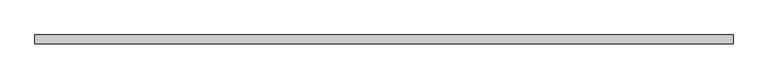
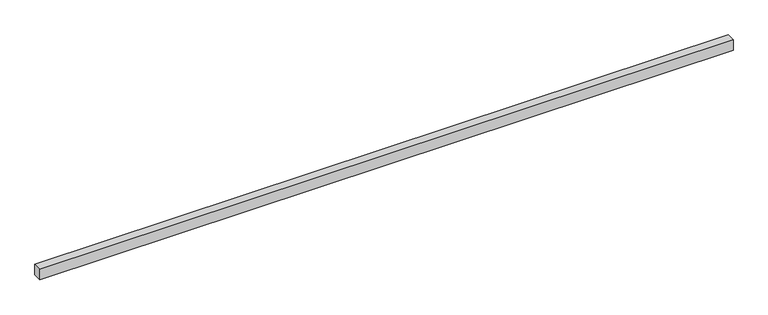
"""IFC4 building model written with IfcOpenShell, lengths in millimetres: proxy geometry."""

from ifc_helpers import new_model, si_unit, frame, origin, place, context, project, spatial, polyline, outline, extrude, source, transform, mapped, element, save


def generic_models_fe138200(model_context):
    return source(origin(), model_context, "Body", "SweptSolid", [
        extrude(outline(polyline([(40.0, 0.0), (-40.0, 0.0), (-40.0, 6400.0), (40.0, 6400.0), (40.0, 0.0)])), frame((6400.0, 0.0, 0.0), z_axis=(0.0, -1.9783474858313244e-12, 1.0), x_axis=(0.0, 1.0, 1.9783474858313244e-12)), (0.0, 0.0, 1.0), 100.0),
    ])


if __name__ == "__main__":
    model = new_model("IFC4")
    model_context = context("Model", 3, world=origin())
    ifc_project = project(units=[si_unit("LENGTHUNIT", "METRE", prefix="MILLI")], contexts=[model_context])
    site = spatial("IfcSite", under=ifc_project)
    building = spatial("IfcBuilding", under=site)
    placement = place(None, origin())
    generic_models_shape = generic_models_fe138200(model_context)
    element("IfcBuildingElementProxy", 1, Name="Generic Models", at=placement, inside=building, context=model_context, shape_type="MappedRepresentation", body=[
        mapped(generic_models_shape, transform((0.0, 0.0, 0.0), x_axis=(1.0, 0.0, 0.0), y_axis=(0.0, 1.0, 0.0), z_axis=(0.0, 0.0, 1.0))),
    ])
    save(model, "model.ifc")
